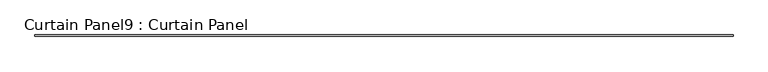
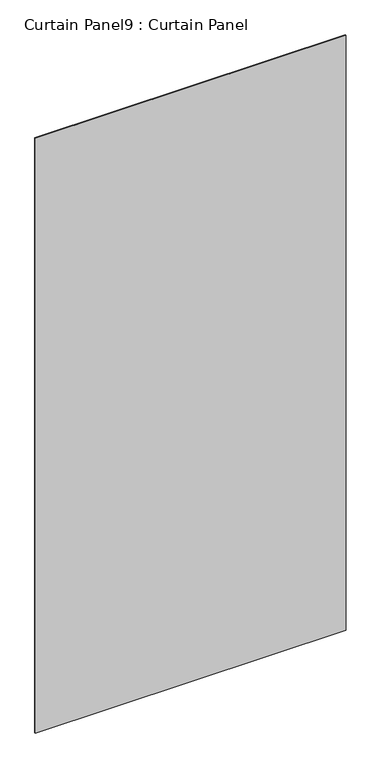
"""IFC4 building model written with IfcOpenShell, lengths in millimetres: plate geometry, Curtain Panel9 : Curtain Panel."""

from ifc_helpers import new_model, si_unit, frame, origin, place, context, project, spatial, polyline, outline, extrude, source, transform, mapped, element, save


def curtain_panel9_curtain_panel_d96d7d63(model_context):
    return source(origin(), model_context, "Body", "SweptSolid", [
        extrude(outline(polyline([(203046.1262682, 2938.3096955), (200171.5657862, 2938.3096955), (200171.5657862, 2944.6596955), (203046.1262682, 2944.6596955), (203046.1262682, 2938.3096955)])), frame((0.0, 0.0, 1334.7693654), z_axis=(0.0, 0.0, 1.0), x_axis=(1.0, 0.0, 0.0)), (0.0, 0.0, 1.0), 5813.4109864),
    ])


if __name__ == "__main__":
    model = new_model("IFC4")
    model_context = context("Model", 3, world=origin())
    ifc_project = project(units=[si_unit("LENGTHUNIT", "METRE", prefix="MILLI")], contexts=[model_context])
    site = spatial("IfcSite", under=ifc_project)
    building = spatial("IfcBuilding", under=site)
    placement = place(None, origin())
    curtain_panel9_curtain_panel_shape = curtain_panel9_curtain_panel_d96d7d63(model_context)
    element("IfcPlate", 1, ObjectType="Curtain Panel9 : Curtain Panel", at=placement, inside=building, context=model_context, shape_type="MappedRepresentation", body=[
        mapped(curtain_panel9_curtain_panel_shape, transform((0.0, 0.0, 0.0), x_axis=(1.0, 0.0, 0.0), y_axis=(0.0, 1.0, 0.0), z_axis=(0.0, 0.0, 1.0))),
    ])
    save(model, "model.ifc")
